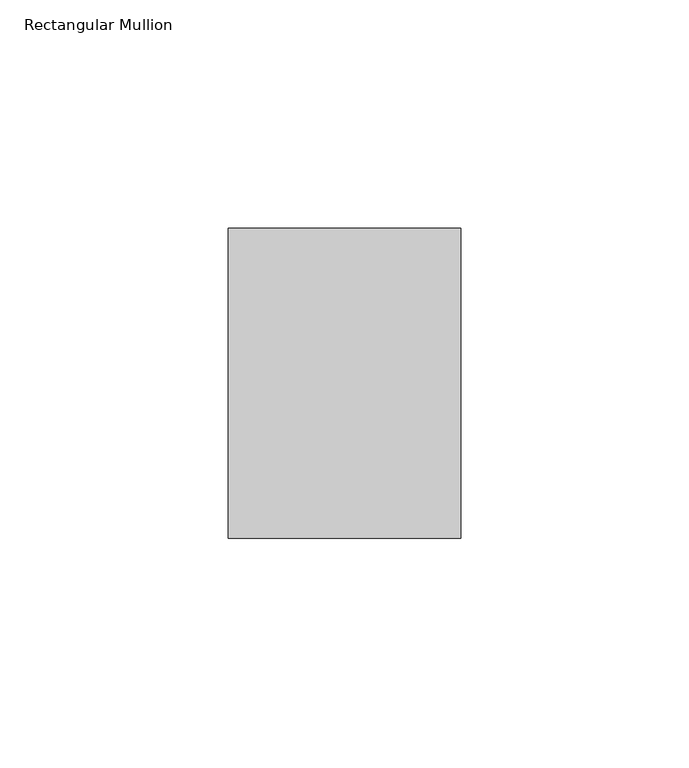
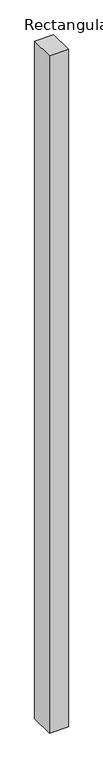
"""IFC4 building model written with IfcOpenShell, lengths in millimetres: member geometry, Rectangular Mullion."""

from ifc_helpers import new_model, si_unit, frame, origin, place, context, project, spatial, polyline, outline, extrude, source, transform, mapped, element, save


def rectangular_mullion_800992d1(model_context):
    return source(origin(), model_context, "Body", "SweptSolid", [
        extrude(outline(polyline([(0.0, 68.0), (0.0, 0.0), (-51.0, 0.0), (-51.0, 68.0), (0.0, 68.0)])), frame((0.0, 0.0, -1924.0), z_axis=(0.0, 0.0, 1.0), x_axis=(1.0, 0.0, 0.0)), (0.0, 0.0, 1.0), 1924.0),
    ])


if __name__ == "__main__":
    model = new_model("IFC4")
    model_context = context("Model", 3, world=origin())
    ifc_project = project(units=[si_unit("LENGTHUNIT", "METRE", prefix="MILLI")], contexts=[model_context])
    site = spatial("IfcSite", under=ifc_project)
    building = spatial("IfcBuilding", under=site)
    placement = place(None, origin())
    rectangular_mullion_shape = rectangular_mullion_800992d1(model_context)
    element("IfcMember", 1, ObjectType="Rectangular Mullion", at=placement, inside=building, context=model_context, shape_type="MappedRepresentation", body=[
        mapped(rectangular_mullion_shape, transform((0.0, 0.0, 0.0), x_axis=(1.0, 0.0, 0.0), y_axis=(0.0, 1.0, 0.0), z_axis=(0.0, 0.0, 1.0))),
    ])
    save(model, "model.ifc")
